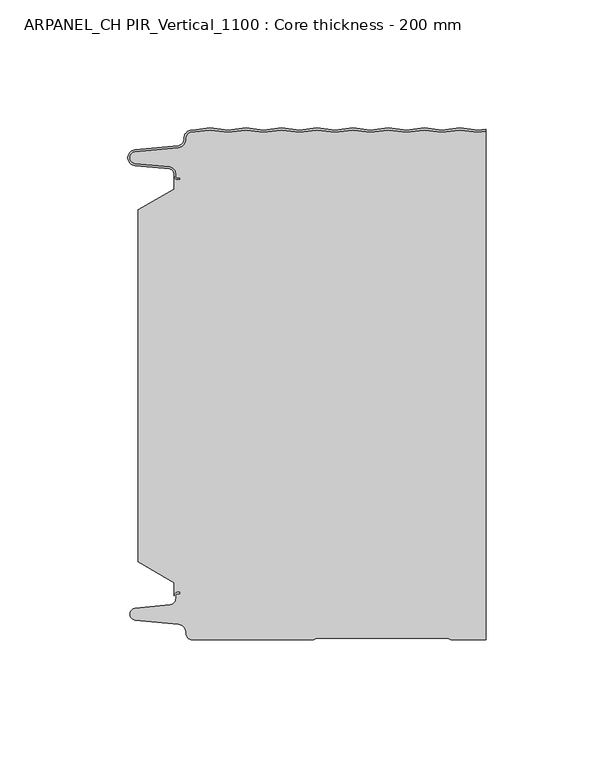
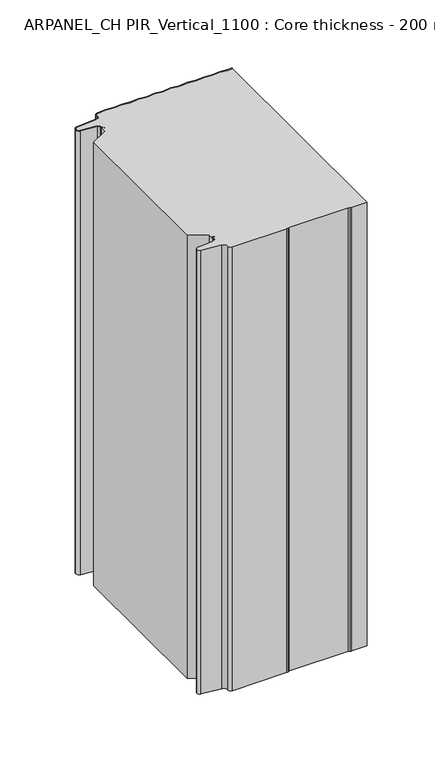
"""IFC4 building model written with IfcOpenShell, lengths in millimetres: plate geometry, ARPANEL_CH PIR_Vertical_1100 : Core thickness - 200 mm."""

import ifcopenshell
import ifcopenshell.guid

model = None  # the IFC model being written
_history = None  # IfcOwnerHistory: only IFC2X3 demands one
_inside = {}  # id of a spatial element -> (the spatial element, [elements in it])
_under = {}  # id of a project, library or spatial element -> (it, [spatial elements below it])
_declared = {}  # id of a project -> (the project, [libraries it declares])
_typed = {}  # id of a type object -> (the type object, [elements of that type])
_made_of = {}  # id of a material, layer set ... -> (it, [elements and type objects made of it])


def new_model(schema):
    """Start an empty IFC model of exactly this schema.

    Asked for "IFC4X3", IfcOpenShell would pick the latest addendum, in which some entities
    have other attributes; the version numbers below select the first issue.
    IFC2X3 requires an IfcOwnerHistory on every rooted entity: one is made here for all.
    """
    global model, _history
    if schema == "IFC4X3":
        model = ifcopenshell.file(schema_version=(4, 3, 0, 0))
    else:
        model = ifcopenshell.file(schema=schema)
    _inside.clear()
    _under.clear()
    _declared.clear()
    _typed.clear()
    _made_of.clear()
    _history = None
    if model.schema == "IFC2X3":
        org = make("IfcOrganization", Name="unknown")
        user = make(
            "IfcPersonAndOrganization",
            ThePerson=make("IfcPerson", FamilyName="unknown"),
            TheOrganization=org,
        )
        app = make(
            "IfcApplication",
            ApplicationDeveloper=org,
            Version="unknown",
            ApplicationFullName="unknown",
            ApplicationIdentifier="unknown",
        )
        _history = make(
            "IfcOwnerHistory",
            OwningUser=user,
            OwningApplication=app,
            ChangeAction="ADDED",
            CreationDate=0,
        )
    return model


def make(cls, **values):
    """One entity of the class cls with the attributes given. An attribute that is None is left unset."""
    return model.create_entity(
        cls, **{name: value for name, value in values.items() if value is not None}
    )


def rooted(cls, **values):
    """An entity with a GlobalId (a new one), such as an element, a storey or a relation."""
    return make(cls, GlobalId=ifcopenshell.guid.new(), OwnerHistory=_history, **values)


def si_unit(unit_type, name, prefix=None):
    """IfcSIUnit, for example si_unit("LENGTHUNIT", "METRE", prefix="MILLI")."""
    return make("IfcSIUnit", UnitType=unit_type, Prefix=prefix, Name=name)


def assignment(units):
    """IfcUnitAssignment: the units of a project."""
    return None if units is None else make("IfcUnitAssignment", Units=units)


def point(xyz):
    """IfcCartesianPoint."""
    return None if xyz is None else make("IfcCartesianPoint", Coordinates=xyz)


def direction(xyz):
    """IfcDirection."""
    return None if xyz is None else make("IfcDirection", DirectionRatios=xyz)


def frame(location, z_axis=None, x_axis=None):
    """IfcAxis2Placement3D, a coordinate frame: its origin and axes. An axis left out is left unset."""
    return make(
        "IfcAxis2Placement3D",
        Location=point(location),
        Axis=direction(z_axis),
        RefDirection=direction(x_axis),
    )


def origin():
    """The frame at (0, 0, 0) with its axes left unset."""
    return frame((0.0, 0.0, 0.0))


def place(relative_to, where):
    """IfcLocalPlacement: puts the frame where relative to a parent placement (None: the world)."""
    return make(
        "IfcLocalPlacement", PlacementRelTo=relative_to, RelativePlacement=where
    )


def context(
    kind, dimensions, precision=None, world=None, true_north=None, identifier=None
):
    """IfcGeometricRepresentationContext, for example the 3D "Model" context."""
    return make(
        "IfcGeometricRepresentationContext",
        ContextIdentifier=identifier,
        ContextType=kind,
        CoordinateSpaceDimension=dimensions,
        Precision=precision,
        WorldCoordinateSystem=world,
        TrueNorth=true_north,
    )


def project(units=None, contexts=None):
    """IfcProject with its units and contexts."""
    return rooted(
        "IfcProject",
        Name="project",
        RepresentationContexts=contexts,
        UnitsInContext=assignment(units),
    )


def spatial(cls, under=None, at=None, **own):
    """A site, building, storey or space (cls), placed at a placement, below another one or the project."""
    s = rooted(cls, ObjectPlacement=at, **own)
    if under is not None:
        _under.setdefault(under.id(), (under, []))[1].append(s)
    return s


def polyline(points):
    """IfcPolyline through the points."""
    return make("IfcPolyline", Points=[point(p) for p in points])


def circle_curve(where, radius):
    """IfcCircle in the frame where."""
    return make("IfcCircle", Position=where, Radius=radius)


def shape(context_of_items, identifier, shape_type, items):
    """IfcShapeRepresentation: the items that make up one representation, for example the "Body"."""
    return make(
        "IfcShapeRepresentation",
        ContextOfItems=context_of_items,
        RepresentationIdentifier=identifier,
        RepresentationType=shape_type,
        Items=items,
    )


def source(mapping_origin, context_of_items, identifier, shape_type, items):
    """IfcRepresentationMap: a shape defined once, which mapped items show again and again."""
    return make(
        "IfcRepresentationMap",
        MappingOrigin=mapping_origin,
        MappedRepresentation=shape(context_of_items, identifier, shape_type, items),
    )


def transform(
    local_origin,
    x_axis=None,
    y_axis=None,
    z_axis=None,
    scale=None,
    scale2=None,
    scale3=None,
    uniform=True,
):
    """IfcCartesianTransformationOperator3D, or its non-uniform kind. x_axis, y_axis, z_axis: its Axis1, 2, 3."""
    if uniform:
        return make(
            "IfcCartesianTransformationOperator3D",
            Axis1=direction(x_axis),
            Axis2=direction(y_axis),
            LocalOrigin=point(local_origin),
            Scale=scale,
            Axis3=direction(z_axis),
        )
    return make(
        "IfcCartesianTransformationOperator3DnonUniform",
        Axis1=direction(x_axis),
        Axis2=direction(y_axis),
        LocalOrigin=point(local_origin),
        Scale=scale,
        Axis3=direction(z_axis),
        Scale2=scale2,
        Scale3=scale3,
    )


def mapped(mapping_source, mapping_target):
    """IfcMappedItem: shows the shape of a source again, moved by a transform."""
    return make(
        "IfcMappedItem", MappingSource=mapping_source, MappingTarget=mapping_target
    )


def made_of(thing, what):
    """Note that an element or type object is made of a material, layer set ...; save() writes the relation."""
    if what is not None:
        _made_of.setdefault(what.id(), (what, []))[1].append(thing)
    return thing


def element(
    cls,
    number,
    at=None,
    inside=None,
    cuts=None,
    type_object=None,
    material=None,
    context=None,
    identifier="Body",
    shape_type=None,
    held_by="IfcProductDefinitionShape",
    body=None,
    shapes=None,
    **own,
):
    """One element of the class cls, such as IfcWall. Its Tag is "e" and its number.

    at: its placement. inside: the storey or other place that contains it. cuts: it is an
    opening in that element (IfcRelVoidsElement). A single representation is given by context,
    identifier, shape_type and body (its items); several are given by shapes. held_by: the class
    of the entity that holds the representations. save() writes the other relations.
    """
    e = rooted(cls, Tag="e%d" % number, ObjectPlacement=at, **own)
    if body is not None:
        shapes = [shape(context, identifier, shape_type, body)]
    if shapes is not None:
        e.Representation = make(held_by, Representations=shapes)
    if inside is not None:
        _inside.setdefault(inside.id(), (inside, []))[1].append(e)
    if cuts is not None:
        rooted(
            "IfcRelVoidsElement", RelatingBuildingElement=cuts, RelatedOpeningElement=e
        )
    if type_object is not None:
        _typed.setdefault(type_object.id(), (type_object, []))[1].append(e)
    return made_of(e, material)


def aggregate(whole, parts):
    """IfcRelAggregates: a whole, such as a stair, and the parts it consists of."""
    return rooted("IfcRelAggregates", RelatingObject=whole, RelatedObjects=parts)


def save(model, path):
    """Write the relations noted so far, then the file.

    IfcRelAggregates (storeys below a building ...), IfcRelContainedInSpatialStructure (elements
    in a storey), IfcRelDefinesByType, IfcRelAssociatesMaterial and IfcRelDeclares: one each for
    every whole, place, type object, material and project.
    """
    for whole, parts in _under.values():
        aggregate(whole, parts)
    for where, things in _inside.values():
        rooted(
            "IfcRelContainedInSpatialStructure",
            RelatedElements=things,
            RelatingStructure=where,
        )
    for kind, things in _typed.values():
        rooted("IfcRelDefinesByType", RelatedObjects=things, RelatingType=kind)
    for what, things in _made_of.values():
        rooted("IfcRelAssociatesMaterial", RelatedObjects=things, RelatingMaterial=what)
    for by, libraries in _declared.values():
        rooted("IfcRelDeclares", RelatingContext=by, RelatedDefinitions=libraries)
    model.write(path)


def plane_surface(at):
    """IfcPlane: the flat surface through the origin of the frame at, square to its z axis."""
    return make("IfcPlane", Position=at)


def cylinder_surface(at, radius):
    """IfcCylindricalSurface: all points at the distance radius from the z axis of the frame at."""
    return make("IfcCylindricalSurface", Position=at, Radius=radius)


def revolved_surface(curve, axis_point, axis_direction):
    """IfcSurfaceOfRevolution: the curve turned about the line through axis_point along axis_direction."""
    return make(
        "IfcSurfaceOfRevolution",
        SweptCurve=make("IfcArbitraryOpenProfileDef", ProfileType="CURVE", Curve=curve),
        AxisPosition=make("IfcAxis1Placement", Location=point(axis_point), Axis=direction(axis_direction)),
    )


def advanced_brep(points, edges, surfaces, faces):
    """IfcAdvancedBrep: a solid bounded by faces that lie on surfaces and meet in shared edges.

    An edge is (start, end): straight between two places in points (the first is 0);
    or (start, end, curve); or (start, end, curve, False) where it runs against its curve.
    A face is (place in surfaces, loops), or (place, loops, False) where it looks against
    its surface's normal. A loop lists edges by number (the first is 1), with a minus sign
    where the edge is run from its end to its start. The first loop is the outer one.
    """
    corners = [point(p) for p in points]
    vertices = [make("IfcVertexPoint", VertexGeometry=c) for c in corners]
    made = []
    for start, end, *more in edges:
        made.append(
            make(
                "IfcEdgeCurve",
                EdgeStart=vertices[start],
                EdgeEnd=vertices[end],
                EdgeGeometry=more[0] if more else make("IfcPolyline", Points=[corners[start], corners[end]]),
                SameSense=more[1] if len(more) > 1 else True,
            )
        )
    hull = []
    for where, loops, *sense in faces:
        bounds = []
        for j, loop in enumerate(loops):
            ring = [make("IfcOrientedEdge", EdgeElement=made[abs(k) - 1], Orientation=k > 0) for k in loop]
            bounds.append(
                make(
                    "IfcFaceOuterBound" if j == 0 else "IfcFaceBound",
                    Bound=make("IfcEdgeLoop", EdgeList=ring),
                    Orientation=True,
                )
            )
        hull.append(make("IfcAdvancedFace", Bounds=bounds, FaceSurface=surfaces[where], SameSense=sense[0] if sense else True))
    return make("IfcAdvancedBrep", Outer=make("IfcClosedShell", CfsFaces=hull))


def arpanel_ch_pir_vertical_1100_core_thickness_200_mm_20a5ad4c(model_context):
    return source(origin(), model_context, "Body", "AdvancedBrep", [
        advanced_brep(
        [(-51.9952277, -23.1062917, 400.0), (-66.0446509, -31.1628062, 400.0), (-66.0446509, -168.7531937, 400.0), (-51.9952277, -176.8937083, 400.0), (-51.9952277, -180.4996949, 400.0), (-51.9952277, -181.8996949, 400.0), (-50.5952277, -180.4996949, 400.0), (-49.4952277, -180.4996949, 400.0), (-49.4952277, -181.2996949, 400.0), (-50.5952277, -181.2996949, 400.0), (-51.1952277, -181.8996949, 400.0), (-51.1952277, -182.9766159, 400.0), (-53.5415122, -185.5642071, 400.0), (-67.1334652, -186.8969097, 400.0), (-69.1999997, -189.1776715, 400.0), (-67.1334652, -191.4584333, 400.0), (-50.1779767, -193.1209335, 400.0), (-47.2078761, -196.6330399, 400.0), (-44.8000003, -199.1996949, 400.0), (1.9454197, -199.2, 400.0), (2.9968355, -198.9013303, 400.0), (4.4172165, -198.4996949, 400.0), (54.5769997, -198.4996949, 400.0), (55.9964111, -198.9028991, 400.0), (57.0487965, -199.2, 400.0), (69.9999998, -199.2, 400.0), (69.9999998, -0.4450808, 400.0), (66.7999997, -0.8121059, 400.0), (59.8249997, -0.0121059, 400.0), (52.8499997, -0.8121059, 400.0), (45.8749997, -0.0121059, 400.0), (38.8999997, -0.8121059, 400.0), (31.9249997, -0.0121059, 400.0), (24.9499997, -0.8121059, 400.0), (17.9749997, -0.0121059, 400.0), (10.9999997, -0.8121059, 400.0), (4.0249997, -0.0121059, 400.0), (-2.9500003, -0.8121059, 400.0), (-9.9250003, -0.0121059, 400.0), (-16.9000003, -0.8121059, 400.0), (-23.8750003, -0.0121059, 400.0), (-30.8500003, -0.8121059, 400.0), (-37.8250003, -0.0121059, 400.0), (-45.4293367, -0.8842879, 400.0), (-47.1942724, -3.3660185, 400.0), (-50.1779767, -6.8790665, 400.0), (-67.1334652, -8.5415667, 400.0), (-69.1999997, -10.8223285, 400.0), (-67.1334652, -13.1030903, 400.0), (-53.5415122, -14.4357929, 400.0), (-51.1952277, -17.0233841, 400.0), (-51.1952277, -18.1003051, 400.0), (-50.5952277, -18.7003051, 400.0), (-49.4952277, -18.7003051, 400.0), (-49.4952277, -19.5003051, 400.0), (-50.5952277, -19.5003051, 400.0), (-51.9952277, -18.1003051, 400.0), (-51.9952277, -19.5003051, 400.0), (-51.9952277, -176.8937083, 0.0), (-66.0446509, -168.7531937, 0.0), (-66.0446509, -31.1628062, 0.0), (-51.9952277, -23.1062917, 0.0), (-51.9952277, -19.5003051, 0.0), (-51.9952277, -18.1003051, 0.0), (-50.5952277, -19.5003051, 0.0), (-49.4952277, -19.5003051, 0.0), (-49.4952277, -18.7003051, 0.0), (-50.5952277, -18.7003051, 0.0), (-51.1952277, -18.1003051, 0.0), (-51.1952277, -17.0233841, 0.0), (-53.5415122, -14.4357929, 0.0), (-67.1334652, -13.1030903, 0.0), (-69.1999997, -10.8223285, 0.0), (-67.1334652, -8.5415667, 0.0), (-50.1779767, -6.8790665, 0.0), (-47.2078761, -3.3669601, 0.0), (-45.4293367, -0.8842879, 0.0), (-37.8250003, -0.0121059, 0.0), (-30.8500003, -0.8121059, 0.0), (-23.8750003, -0.0121059, 0.0), (-16.9000003, -0.8121059, 0.0), (-9.9250003, -0.0121059, 0.0), (-2.9500003, -0.8121059, 0.0), (4.0249997, -0.0121059, 0.0), (10.9999997, -0.8121059, 0.0), (17.9749997, -0.0121059, 0.0), (24.9499997, -0.8121059, 0.0), (31.9249997, -0.0121059, 0.0), (38.8999997, -0.8121059, 0.0), (45.8749997, -0.0121059, 0.0), (52.8499997, -0.8121059, 0.0), (59.8249997, -0.0121059, 0.0), (66.7999997, -0.8121059, 0.0), (69.9999998, -0.4450808, 0.0), (69.9999998, -199.2, 0.0), (57.0487965, -199.2, 0.0), (55.9973806, -198.9013303, 0.0), (54.5769997, -198.4996949, 0.0), (4.4172165, -198.4996949, 0.0), (2.9978051, -198.9028991, 0.0), (1.9454197, -199.2, 0.0), (-44.8000003, -199.2, 0.0), (-47.1942724, -196.6339815, 0.0), (-50.1779767, -193.1209335, 0.0), (-67.1334652, -191.4584333, 0.0), (-69.1999997, -189.1776715, 0.0), (-67.1334652, -186.8969097, 0.0), (-53.5415122, -185.5642071, 0.0), (-51.1952277, -182.9766159, 0.0), (-51.1952277, -181.8996949, 0.0), (-50.5952277, -181.2996949, 0.0), (-49.4952277, -181.2996949, 0.0), (-49.4952277, -180.4996949, 0.0), (-50.5952277, -180.4996949, 0.0), (-51.9952277, -181.8996949, 0.0), (-51.9952277, -180.4996949, 0.0)],
        [
            (0, 1),
            (1, 2),
            (2, 3),
            (3, 4),
            (4, 5),
            (5, 6, circle_curve(frame((-50.5952277, -181.8996949, 400.0), z_axis=(0.0, 0.0, -1.0), x_axis=(1.0, 0.0, 0.0)), 1.4)),
            (6, 7),
            (7, 8),
            (8, 9),
            (9, 10, circle_curve(frame((-50.5952277, -181.8996949, 400.0), z_axis=(0.0, 0.0, 1.0), x_axis=(1.0, 0.0, 0.0)), 0.6)),
            (10, 11),
            (11, 12, circle_curve(frame((-53.7952277, -182.9766159, 400.0), z_axis=(0.0, 0.0, -1.0), x_axis=(1.0, 0.0, 0.0)), 2.6)),
            (12, 13),
            (13, 14, circle_curve(frame((-66.9100003, -189.1759805, 400.0), z_axis=(0.0, 0.0, 1.0), x_axis=(1.0, 0.0, 0.0)), 2.29)),
            (14, 15, circle_curve(frame((-66.9100003, -189.1793626, 400.0), z_axis=(0.0, 0.0, 1.0), x_axis=(1.0, 0.0, 0.0)), 2.29)),
            (15, 16),
            (16, 17, circle_curve(frame((-50.5000003, -196.4051839, 400.0), z_axis=(0.0, 0.0, -1.0), x_axis=(1.0, 0.0, 0.0)), 3.3)),
            (17, 18, circle_curve(frame((-44.8000003, -196.7996949, 400.0), z_axis=(0.0, 0.0, 1.0), x_axis=(1.0, 0.0, 0.0)), 2.4)),
            (18, 19),
            (19, 20, circle_curve(frame((1.9454197, -197.2, 400.0), z_axis=(0.0, 0.0, 1.0), x_axis=(1.0, 0.0, 0.0)), 2.0)),
            (20, 21, circle_curve(frame((4.4172165, -201.1996949, 400.0), z_axis=(0.0, 0.0, -1.0), x_axis=(1.0, 0.0, 0.0)), 2.7)),
            (21, 22),
            (22, 23, circle_curve(frame((54.5769997, -201.1996949, 400.0), z_axis=(0.0, 0.0, -1.0), x_axis=(1.0, 0.0, 0.0)), 2.7)),
            (23, 24, circle_curve(frame((57.0487965, -197.2, 400.0), z_axis=(0.0, 0.0, 1.0), x_axis=(1.0, 0.0, 0.0)), 2.0)),
            (24, 25),
            (25, 26),
            (26, 27),
            (27, 28),
            (28, 29),
            (29, 30),
            (30, 31),
            (31, 32),
            (32, 33),
            (33, 34),
            (34, 35),
            (35, 36),
            (36, 37),
            (37, 38),
            (38, 39),
            (39, 40),
            (40, 41),
            (41, 42),
            (42, 43),
            (43, 44, circle_curve(frame((-44.8000003, -3.2003051, 400.0), z_axis=(0.0, 0.0, 1.0), x_axis=(1.0, 0.0, 0.0)), 2.4)),
            (44, 45, circle_curve(frame((-50.5000003, -3.5948161, 400.0), z_axis=(0.0, 0.0, -1.0), x_axis=(1.0, 0.0, 0.0)), 3.3)),
            (45, 46),
            (46, 47, circle_curve(frame((-66.9100003, -10.8206374, 400.0), z_axis=(0.0, 0.0, 1.0), x_axis=(1.0, 0.0, 0.0)), 2.29)),
            (47, 48, circle_curve(frame((-66.9100003, -10.8240195, 400.0), z_axis=(0.0, 0.0, 1.0), x_axis=(1.0, 0.0, 0.0)), 2.29)),
            (48, 49),
            (49, 50, circle_curve(frame((-53.7952277, -17.0233841, 400.0), z_axis=(0.0, 0.0, -1.0), x_axis=(1.0, 0.0, 0.0)), 2.6)),
            (50, 51),
            (51, 52, circle_curve(frame((-50.5952277, -18.1003051, 400.0), z_axis=(0.0, 0.0, 1.0), x_axis=(1.0, 0.0, 0.0)), 0.6)),
            (52, 53),
            (53, 54),
            (54, 55),
            (55, 56, circle_curve(frame((-50.5952277, -18.1003051, 400.0), z_axis=(0.0, 0.0, -1.0), x_axis=(1.0, 0.0, 0.0)), 1.4)),
            (56, 57),
            (57, 0),
            (58, 59),
            (59, 60),
            (60, 61),
            (61, 62),
            (62, 63),
            (63, 64, circle_curve(frame((-50.5952277, -18.1003051, 0.0), z_axis=(0.0, 0.0, 1.0), x_axis=(1.0, 0.0, 0.0)), 1.4)),
            (64, 65),
            (65, 66),
            (66, 67),
            (67, 68, circle_curve(frame((-50.5952277, -18.1003051, 0.0), z_axis=(0.0, 0.0, -1.0), x_axis=(1.0, 0.0, 0.0)), 0.6)),
            (68, 69),
            (69, 70, circle_curve(frame((-53.7952277, -17.0233841, 0.0), z_axis=(0.0, 0.0, 1.0), x_axis=(1.0, 0.0, 0.0)), 2.6)),
            (70, 71),
            (71, 72, circle_curve(frame((-66.9100003, -10.8240195, 0.0), z_axis=(0.0, 0.0, -1.0), x_axis=(1.0, 0.0, 0.0)), 2.29)),
            (72, 73, circle_curve(frame((-66.9100003, -10.8206374, 0.0), z_axis=(0.0, 0.0, -1.0), x_axis=(1.0, 0.0, 0.0)), 2.29)),
            (73, 74),
            (74, 75, circle_curve(frame((-50.5000003, -3.5948161, 0.0), z_axis=(0.0, 0.0, 1.0), x_axis=(1.0, 0.0, 0.0)), 3.3)),
            (75, 76, circle_curve(frame((-44.8000003, -3.2003051, 0.0), z_axis=(0.0, 0.0, -1.0), x_axis=(1.0, 0.0, 0.0)), 2.4)),
            (76, 77),
            (77, 78),
            (78, 79),
            (79, 80),
            (80, 81),
            (81, 82),
            (82, 83),
            (83, 84),
            (84, 85),
            (85, 86),
            (86, 87),
            (87, 88),
            (88, 89),
            (89, 90),
            (90, 91),
            (91, 92),
            (92, 93),
            (93, 94),
            (94, 95),
            (95, 96, circle_curve(frame((57.0487965, -197.2, 0.0), z_axis=(0.0, 0.0, -1.0), x_axis=(1.0, 0.0, 0.0)), 2.0)),
            (96, 97, circle_curve(frame((54.5769997, -201.1996949, 0.0), z_axis=(0.0, 0.0, 1.0), x_axis=(1.0, 0.0, 0.0)), 2.7)),
            (97, 98),
            (98, 99, circle_curve(frame((4.4172165, -201.1996949, 0.0), z_axis=(0.0, 0.0, 1.0), x_axis=(1.0, 0.0, 0.0)), 2.7)),
            (99, 100, circle_curve(frame((1.9454197, -197.2, 0.0), z_axis=(0.0, 0.0, -1.0), x_axis=(1.0, 0.0, 0.0)), 2.0)),
            (100, 101),
            (101, 102, circle_curve(frame((-44.8000003, -196.7996949, 0.0), z_axis=(0.0, 0.0, -1.0), x_axis=(1.0, 0.0, 0.0)), 2.4)),
            (102, 103, circle_curve(frame((-50.5000003, -196.4051839, 0.0), z_axis=(0.0, 0.0, 1.0), x_axis=(1.0, 0.0, 0.0)), 3.3)),
            (103, 104),
            (104, 105, circle_curve(frame((-66.9100003, -189.1793626, 0.0), z_axis=(0.0, 0.0, -1.0), x_axis=(1.0, 0.0, 0.0)), 2.29)),
            (105, 106, circle_curve(frame((-66.9100003, -189.1759805, 0.0), z_axis=(0.0, 0.0, -1.0), x_axis=(1.0, 0.0, 0.0)), 2.29)),
            (106, 107),
            (107, 108, circle_curve(frame((-53.7952277, -182.9766159, 0.0), z_axis=(0.0, 0.0, 1.0), x_axis=(1.0, 0.0, 0.0)), 2.6)),
            (108, 109),
            (109, 110, circle_curve(frame((-50.5952277, -181.8996949, 0.0), z_axis=(0.0, 0.0, -1.0), x_axis=(1.0, 0.0, 0.0)), 0.6)),
            (110, 111),
            (111, 112),
            (112, 113),
            (113, 114, circle_curve(frame((-50.5952277, -181.8996949, 0.0), z_axis=(0.0, 0.0, 1.0), x_axis=(1.0, 0.0, 0.0)), 1.4)),
            (114, 115),
            (115, 58),
            (76, 43),
            (42, 77),
            (41, 78),
            (40, 79),
            (39, 80),
            (38, 81),
            (37, 82),
            (36, 83),
            (35, 84),
            (34, 85),
            (33, 86),
            (32, 87),
            (31, 88),
            (30, 89),
            (29, 90),
            (28, 91),
            (27, 92),
            (26, 93),
            (61, 0),
            (56, 63),
            (1, 60),
            (59, 2),
            (58, 3),
            (114, 5),
            (24, 95),
            (94, 25),
            (23, 96),
            (22, 97),
            (21, 98),
            (20, 99),
            (19, 100),
            (18, 101),
            (17, 102),
            (16, 103),
            (15, 104),
            (14, 105),
            (13, 106),
            (12, 107),
            (11, 108),
            (10, 109),
            (9, 110),
            (8, 111),
            (7, 112),
            (6, 113),
            (55, 64),
            (54, 65),
            (53, 66),
            (52, 67),
            (51, 68),
            (50, 69),
            (49, 70),
            (48, 71),
            (47, 72),
            (46, 73),
            (45, 74),
            (44, 75),
        ],
        [
            plane_surface(frame((-69.9999998, 0.0, 400.0), z_axis=(0.0, 0.0, 1.0), x_axis=(0.0, -1.0, 0.0))),
            plane_surface(frame((-69.9999998, 0.0, 0.0), z_axis=(0.0, 0.0, -1.0), x_axis=(0.0, -1.0, 0.0))),
            plane_surface(frame((-45.4293367, -0.8842879, 530.0), z_axis=(-0.11394829349453067, 0.9934866815462019, 0.0), x_axis=(0.0, 0.0, -1.0))),
            plane_surface(frame((-37.8250003, -0.0121059, 530.0), z_axis=(0.11394829295347988, 0.9934866816082579, 0.0), x_axis=(0.0, 0.0, -1.0))),
            plane_surface(frame((-30.8500003, -0.8121059, 530.0), z_axis=(-0.11394829349456718, 0.9934866815461977, 0.0), x_axis=(0.0, 0.0, -1.0))),
            plane_surface(frame((-23.8750003, -0.0121059, 530.0), z_axis=(0.11394829295347988, 0.9934866816082579, 0.0), x_axis=(0.0, 0.0, -1.0))),
            plane_surface(frame((-16.9000003, -0.8121059, 530.0), z_axis=(-0.11394829349456718, 0.9934866815461977, 0.0), x_axis=(0.0, 0.0, -1.0))),
            plane_surface(frame((-9.9250003, -0.0121059, 530.0), z_axis=(0.11394829295347988, 0.9934866816082579, 0.0), x_axis=(0.0, 0.0, -1.0))),
            plane_surface(frame((-2.9500003, -0.8121059, 530.0), z_axis=(-0.11394829349456718, 0.9934866815461977, 0.0), x_axis=(0.0, 0.0, -1.0))),
            plane_surface(frame((4.0249997, -0.0121059, 530.0), z_axis=(0.11394829295347988, 0.9934866816082579, 0.0), x_axis=(0.0, 0.0, -1.0))),
            plane_surface(frame((10.9999997, -0.8121059, 530.0), z_axis=(-0.11394829349456718, 0.9934866815461977, 0.0), x_axis=(0.0, 0.0, -1.0))),
            plane_surface(frame((17.9749997, -0.0121059, 530.0), z_axis=(0.11394829295347988, 0.9934866816082579, 0.0), x_axis=(0.0, 0.0, -1.0))),
            plane_surface(frame((24.9499997, -0.8121059, 530.0), z_axis=(-0.11394829349456718, 0.9934866815461977, 0.0), x_axis=(0.0, 0.0, -1.0))),
            plane_surface(frame((31.9249997, -0.0121059, 530.0), z_axis=(0.11394829295347988, 0.9934866816082579, 0.0), x_axis=(0.0, 0.0, -1.0))),
            plane_surface(frame((38.8999997, -0.8121059, 530.0), z_axis=(-0.11394829349456718, 0.9934866815461977, 0.0), x_axis=(0.0, 0.0, -1.0))),
            plane_surface(frame((45.8749997, -0.0121059, 530.0), z_axis=(0.11394829295347988, 0.9934866816082579, 0.0), x_axis=(0.0, 0.0, -1.0))),
            plane_surface(frame((52.8499997, -0.8121059, 530.0), z_axis=(-0.11394829349456718, 0.9934866815461977, 0.0), x_axis=(0.0, 0.0, -1.0))),
            plane_surface(frame((59.8249997, -0.0121059, 530.0), z_axis=(0.11394829295347988, 0.9934866816082579, 0.0), x_axis=(0.0, 0.0, -1.0))),
            plane_surface(frame((66.7999997, -0.8121059, 530.0), z_axis=(-0.11394829349456718, 0.9934866815461977, 0.0), x_axis=(0.0, 0.0, -1.0))),
            plane_surface(frame((-51.9952277, -17.0229218, 400.0), z_axis=(-1.0, 0.0, 0.0), x_axis=(0.0, 0.0, -1.0))),
            plane_surface(frame((-66.0446509, -31.1628062, 400.0), z_axis=(-1.0, 0.0, 0.0), x_axis=(0.0, 0.0, -1.0))),
            plane_surface(frame((-51.9952277, -23.1062917, 400.0), z_axis=(-0.4974543664933155, 0.8674901459133322, 0.0), x_axis=(0.0, 0.0, -1.0))),
            plane_surface(frame((-66.0446509, -168.7531937, 400.0), z_axis=(-0.5013424225369615, -0.8652489672717159, 0.0), x_axis=(0.0, 0.0, -1.0))),
            plane_surface(frame((-51.9952277, -176.8937083, 400.0), z_axis=(-1.0, 0.0, 0.0), x_axis=(0.0, 0.0, -1.0))),
            plane_surface(frame((107.2085797, -199.2, 530.0), z_axis=(0.0, -1.0, 0.0), x_axis=(0.0, 0.0, -1.0))),
            cylinder_surface(frame((57.0487965, -197.2, 530.0), z_axis=(0.0, 0.0, -1.0), x_axis=(1.0, 0.0, 0.0)), 2.0),
            revolved_surface(polyline([(57.276999700000005, -201.1996949, 400.0), (57.276999700000005, -201.1996949, 0.0)]), (54.5769997, -201.1996949, 530.0), (0.0, 0.0, 1.0)),
            plane_surface(frame((54.5769997, -198.4996949, 530.0), z_axis=(0.0, -1.0, 0.0), x_axis=(0.0, 0.0, -1.0))),
            revolved_surface(polyline([(7.1172165000000005, -201.1996949, 400.0), (7.1172165000000005, -201.1996949, 0.0)]), (4.4172165, -201.1996949, 530.0), (0.0, 0.0, 1.0)),
            cylinder_surface(frame((1.9454197, -197.2, 530.0), z_axis=(0.0, 0.0, -1.0), x_axis=(1.0, 0.0, 0.0)), 2.0),
            plane_surface(frame((1.9454197, -199.2, 530.0), z_axis=(0.0, -1.0, 0.0), x_axis=(0.0, 0.0, -1.0))),
            cylinder_surface(frame((-44.8000003, -196.7996949, 530.0), z_axis=(0.0, 0.0, -1.0), x_axis=(1.0, 0.0, 0.0)), 2.4),
            revolved_surface(polyline([(-47.200000300000006, -196.4051839, 400.0), (-47.200000300000006, -196.4051839, 0.0)]), (-50.5000003, -196.4051839, 530.0), (0.0, 0.0, 1.0)),
            plane_surface(frame((-50.1779767, -193.1209335, 530.0), z_axis=(-0.09758289975914758, -0.9952273999818314, 0.0), x_axis=(0.0, 0.0, -1.0))),
            cylinder_surface(frame((-66.9100003, -189.1793626, 530.0), z_axis=(0.0, 0.0, -1.0), x_axis=(1.0, 0.0, 0.0)), 2.29),
            cylinder_surface(frame((-66.9100003, -189.1759805, 530.0), z_axis=(0.0, 0.0, -1.0), x_axis=(1.0, 0.0, 0.0)), 2.29),
            plane_surface(frame((-67.1334652, -186.8969097, 530.0), z_axis=(-0.09758289975914383, 0.9952273999818317, 0.0), x_axis=(0.0, 0.0, -1.0))),
            revolved_surface(polyline([(-51.1952277, -182.9766159, 400.0), (-51.1952277, -182.9766159, 0.0)]), (-53.7952277, -182.9766159, 530.0), (0.0, 0.0, 1.0)),
            plane_surface(frame((-51.1952277, -182.9766159, 530.0), z_axis=(-1.0, 0.0, 0.0), x_axis=(0.0, 0.0, -1.0))),
            cylinder_surface(frame((-50.5952277, -181.8996949, 530.0), z_axis=(0.0, 0.0, -1.0), x_axis=(1.0, 0.0, 0.0)), 0.6),
            plane_surface(frame((-50.5952277, -181.2996949, 530.0), z_axis=(0.0, 1.0, 0.0), x_axis=(0.0, 0.0, -1.0))),
            plane_surface(frame((-49.4952277, -181.2996949, 530.0), z_axis=(-1.0, 0.0, 0.0), x_axis=(0.0, 0.0, -1.0))),
            plane_surface(frame((-49.4952277, -180.4996949, 530.0), z_axis=(0.0, -1.0, 0.0), x_axis=(0.0, 0.0, -1.0))),
            revolved_surface(polyline([(-49.195227700000004, -181.8996949, 400.0), (-49.195227700000004, -181.8996949, 0.0)]), (-50.5952277, -181.8996949, 530.0), (0.0, 0.0, 1.0)),
            revolved_surface(polyline([(-49.195227700000004, -18.1003051, 400.0), (-49.195227700000004, -18.1003051, 0.0)]), (-50.5952277, -18.1003051, 530.0), (0.0, 0.0, 1.0)),
            plane_surface(frame((-50.5952277, -19.5003051, 530.0), z_axis=(0.0, 1.0, 0.0), x_axis=(0.0, 0.0, -1.0))),
            plane_surface(frame((-49.4952277, -19.5003051, 530.0), z_axis=(-1.0, 0.0, 0.0), x_axis=(0.0, 0.0, -1.0))),
            plane_surface(frame((-49.4952277, -18.7003051, 530.0), z_axis=(0.0, -1.0, 0.0), x_axis=(0.0, 0.0, -1.0))),
            cylinder_surface(frame((-50.5952277, -18.1003051, 530.0), z_axis=(0.0, 0.0, -1.0), x_axis=(1.0, 0.0, 0.0)), 0.6),
            plane_surface(frame((-51.1952277, -18.1003051, 530.0), z_axis=(-1.0, 0.0, 0.0), x_axis=(0.0, 0.0, -1.0))),
            revolved_surface(polyline([(-51.1952277, -17.0233841, 400.0), (-51.1952277, -17.0233841, 0.0)]), (-53.7952277, -17.0233841, 530.0), (0.0, 0.0, 1.0)),
            plane_surface(frame((-53.5415122, -14.4357929, 530.0), z_axis=(-0.09758289975914705, -0.9952273999818314, 0.0), x_axis=(0.0, 0.0, -1.0))),
            cylinder_surface(frame((-66.9100003, -10.8240195, 530.0), z_axis=(0.0, 0.0, -1.0), x_axis=(1.0, 0.0, 0.0)), 2.29),
            cylinder_surface(frame((-66.9100003, -10.8206374, 530.0), z_axis=(0.0, 0.0, -1.0), x_axis=(1.0, 0.0, 0.0)), 2.29),
            plane_surface(frame((-67.1334652, -8.5415667, 530.0), z_axis=(-0.09758289975914436, 0.9952273999818317, 0.0), x_axis=(0.0, 0.0, -1.0))),
            revolved_surface(polyline([(-47.200000300000006, -3.5948161, 400.0), (-47.200000300000006, -3.5948161, 0.0)]), (-50.5000003, -3.5948161, 530.0), (0.0, 0.0, 1.0)),
            cylinder_surface(frame((-44.8000003, -3.2003051, 530.0), z_axis=(0.0, 0.0, -1.0), x_axis=(1.0, 0.0, 0.0)), 2.4),
            plane_surface(frame((69.9999998, 180.0, 400.0), z_axis=(1.0, 0.0, 0.0), x_axis=(0.0, 0.0, -1.0))),
        ],
        [
            (0, [[1, 2, 3, 4, 5, 6, 7, 8, 9, 10, 11, 12, 13, 14, 15, 16, 17, 18, 19, 20, 21, 22, 23, 24, 25, 26, 27, 28, 29, 30, 31, 32, 33, 34, 35, 36, 37, 38, 39, 40, 41, 42, 43, 44, 45, 46, 47, 48, 49, 50, 51, 52, 53, 54, 55, 56, 57, 58]]),
            (1, [[59, 60, 61, 62, 63, 64, 65, 66, 67, 68, 69, 70, 71, 72, 73, 74, 75, 76, 77, 78, 79, 80, 81, 82, 83, 84, 85, 86, 87, 88, 89, 90, 91, 92, 93, 94, 95, 96, 97, 98, 99, 100, 101, 102, 103, 104, 105, 106, 107, 108, 109, 110, 111, 112, 113, 114, 115, 116]]),
            (2, [[117, -43, 118, -77]]),
            (3, [[-118, -42, 119, -78]]),
            (4, [[-119, -41, 120, -79]]),
            (5, [[-120, -40, 121, -80]]),
            (6, [[-121, -39, 122, -81]]),
            (7, [[-122, -38, 123, -82]]),
            (8, [[-123, -37, 124, -83]]),
            (9, [[-124, -36, 125, -84]]),
            (10, [[-125, -35, 126, -85]]),
            (11, [[-126, -34, 127, -86]]),
            (12, [[-127, -33, 128, -87]]),
            (13, [[-128, -32, 129, -88]]),
            (14, [[-129, -31, 130, -89]]),
            (15, [[-130, -30, 131, -90]]),
            (16, [[-131, -29, 132, -91]]),
            (17, [[-132, -28, 133, -92]]),
            (18, [[-133, -27, 134, -93]]),
            (19, [[135, -58, -57, 136, -63, -62]]),
            (20, [[-2, 137, -60, 138]]),
            (21, [[-1, -135, -61, -137]]),
            (22, [[-3, -138, -59, 139]]),
            (23, [[-139, -116, -115, 140, -5, -4]]),
            (24, [[141, -95, 142, -25]]),
            (25, [[-141, -24, 143, -96]]),
            (26, [[-143, -23, 144, -97]]),
            (27, [[-144, -22, 145, -98]]),
            (28, [[-145, -21, 146, -99]]),
            (29, [[-146, -20, 147, -100]]),
            (30, [[-147, -19, 148, -101]]),
            (31, [[-148, -18, 149, -102]]),
            (32, [[-149, -17, 150, -103]]),
            (33, [[-150, -16, 151, -104]]),
            (34, [[-151, -15, 152, -105]]),
            (35, [[-152, -14, 153, -106]]),
            (36, [[-153, -13, 154, -107]]),
            (37, [[-154, -12, 155, -108]]),
            (38, [[-155, -11, 156, -109]]),
            (39, [[-156, -10, 157, -110]]),
            (40, [[-157, -9, 158, -111]]),
            (41, [[-158, -8, 159, -112]]),
            (42, [[-159, -7, 160, -113]]),
            (43, [[-160, -6, -140, -114]]),
            (44, [[161, -64, -136, -56]]),
            (45, [[-161, -55, 162, -65]]),
            (46, [[-162, -54, 163, -66]]),
            (47, [[-163, -53, 164, -67]]),
            (48, [[-164, -52, 165, -68]]),
            (49, [[-165, -51, 166, -69]]),
            (50, [[-166, -50, 167, -70]]),
            (51, [[-167, -49, 168, -71]]),
            (52, [[-168, -48, 169, -72]]),
            (53, [[-169, -47, 170, -73]]),
            (54, [[-170, -46, 171, -74]]),
            (55, [[-171, -45, 172, -75]]),
            (56, [[-117, -76, -172, -44]]),
            (57, [[-134, -26, -142, -94]]),
        ],
    ),
        advanced_brep(
        [(-51.9952277, -17.0233841, 0.0), (-53.6195785, -15.2319748, 0.0), (-67.2115315, -13.8992722, 0.0), (-69.9999998, -10.8223285, 0.0), (-67.2115315, -7.7453847, 0.0), (-50.2560431, -6.0828846, 0.0), (-48.0059668, -3.4221979, 0.0), (-44.7467092, -0.0007488, 0.0), (-37.8250003, 0.7931389, 0.0), (-30.8500003, -0.0068611, 0.0), (-23.8750003, 0.7931389, 0.0), (-16.9000003, -0.0068611, 0.0), (-9.9250003, 0.7931389, 0.0), (-2.9500003, -0.0068611, 0.0), (4.0249997, 0.7931389, 0.0), (10.9999997, -0.0068611, 0.0), (17.9749997, 0.7931389, 0.0), (24.9499997, -0.0068611, 0.0), (31.9249997, 0.7931389, 0.0), (38.8999997, -0.0068611, 0.0), (45.8749997, 0.7931389, 0.0), (52.8499997, -0.0068611, 0.0), (59.8249997, 0.7931389, 0.0), (66.7999997, -0.0068611, 0.0), (69.9999998, 0.360164, 0.0), (69.9999998, -0.4450808, 0.0), (66.7999997, -0.8121059, 0.0), (59.8249997, -0.0121059, 0.0), (52.8499997, -0.8121059, 0.0), (45.8749997, -0.0121059, 0.0), (38.8999997, -0.8121059, 0.0), (31.9249997, -0.0121059, 0.0), (24.9499997, -0.8121059, 0.0), (17.9749997, -0.0121059, 0.0), (10.9999997, -0.8121059, 0.0), (4.0249997, -0.0121059, 0.0), (-2.9500003, -0.8121059, 0.0), (-9.9250003, -0.0121059, 0.0), (-16.9000003, -0.8121059, 0.0), (-23.8750003, -0.0121059, 0.0), (-30.8500003, -0.8121059, 0.0), (-37.8250003, -0.0121059, 0.0), (-45.4293367, -0.8842879, 0.0), (-47.1942724, -3.3660185, 0.0), (-50.1779767, -6.8790665, 0.0), (-67.1334652, -8.5415667, 0.0), (-69.1999997, -10.8223285, 0.0), (-67.1334652, -13.1030903, 0.0), (-53.5415122, -14.4357929, 0.0), (-51.1952277, -17.0233841, 0.0), (-51.1952277, -18.1003051, 0.0), (-50.5952277, -18.7003051, 0.0), (-49.5037008, -18.7003051, 0.0), (-49.4952277, -19.5003051, 0.0), (-50.5952277, -19.5003051, 0.0), (-51.9952277, -18.1003051, 0.0), (-51.9952277, -17.0233841, 400.0), (-51.9952277, -18.1003051, 400.0), (-50.5952277, -19.5003051, 400.0), (-49.4952277, -19.5003051, 400.0), (-49.4952277, -18.7003051, 400.0), (-50.5952277, -18.7003051, 400.0), (-51.1952277, -18.1003051, 400.0), (-51.1952277, -17.0233841, 400.0), (-53.5415122, -14.4357929, 400.0), (-67.1334652, -13.1030903, 400.0), (-69.1999997, -10.8223285, 400.0), (-67.1334652, -8.5415667, 400.0), (-50.1779767, -6.8790665, 400.0), (-47.2078761, -3.3669601, 400.0), (-45.4293367, -0.8842879, 400.0), (-37.8250003, -0.0121059, 400.0), (-30.8500003, -0.8121059, 400.0), (-23.8750003, -0.0121059, 400.0), (-16.9000003, -0.8121059, 400.0), (-9.9250003, -0.0121059, 400.0), (-2.9500003, -0.8121059, 400.0), (4.0249997, -0.0121059, 400.0), (10.9999997, -0.8121059, 400.0), (17.9749997, -0.0121059, 400.0), (24.9499997, -0.8121059, 400.0), (31.9249997, -0.0121059, 400.0), (38.8999997, -0.8121059, 400.0), (45.8749997, -0.0121059, 400.0), (52.8499997, -0.8121059, 400.0), (59.8249997, -0.0121059, 400.0), (66.7999997, -0.8121059, 400.0), (69.9999998, -0.4450808, 400.0), (69.9999998, 0.360164, 400.0), (66.7999997, -0.0068611, 400.0), (59.8249997, 0.7931389, 400.0), (52.8499997, -0.0068611, 400.0), (45.8749997, 0.7931389, 400.0), (38.8999997, -0.0068611, 400.0), (31.9249997, 0.7931389, 400.0), (24.9499997, -0.0068611, 400.0), (17.9749997, 0.7931389, 400.0), (10.9999997, -0.0068611, 400.0), (4.0249997, 0.7931389, 400.0), (-2.9500003, -0.0068611, 400.0), (-9.9250003, 0.7931389, 400.0), (-16.9000003, -0.0068611, 400.0), (-23.8750003, 0.7931389, 400.0), (-30.8500003, -0.0068611, 400.0), (-37.8250003, 0.7931389, 400.0), (-44.7467092, -0.0007488, 400.0), (-47.9923632, -3.4212563, 400.0), (-50.2560431, -6.0828846, 400.0), (-67.2115315, -7.7453847, 400.0), (-69.9999998, -10.8223285, 400.0), (-67.2115315, -13.8992722, 400.0), (-53.6195785, -15.2319748, 400.0)],
        [
            (0, 1, circle_curve(frame((-53.7952277, -17.0233841, 0.0), z_axis=(0.0, 0.0, 1.0), x_axis=(1.0, 0.0, 0.0)), 1.8)),
            (1, 2),
            (2, 3, circle_curve(frame((-66.9100003, -10.8240195, 0.0), z_axis=(0.0, 0.0, -1.0), x_axis=(1.0, 0.0, 0.0)), 3.09)),
            (3, 4, circle_curve(frame((-66.9100003, -10.8206374, 0.0), z_axis=(0.0, 0.0, -1.0), x_axis=(1.0, 0.0, 0.0)), 3.09)),
            (4, 5),
            (5, 6, circle_curve(frame((-50.5000003, -3.5948161, 0.0), z_axis=(0.0, 0.0, 1.0), x_axis=(1.0, 0.0, 0.0)), 2.5)),
            (6, 7, circle_curve(frame((-44.8000003, -3.2003051, 0.0), z_axis=(0.0, 0.0, -1.0), x_axis=(1.0, 0.0, 0.0)), 3.2)),
            (7, 8),
            (8, 9),
            (9, 10),
            (10, 11),
            (11, 12),
            (12, 13),
            (13, 14),
            (14, 15),
            (15, 16),
            (16, 17),
            (17, 18),
            (18, 19),
            (19, 20),
            (20, 21),
            (21, 22),
            (22, 23),
            (23, 24),
            (24, 25),
            (25, 26),
            (26, 27),
            (27, 28),
            (28, 29),
            (29, 30),
            (30, 31),
            (31, 32),
            (32, 33),
            (33, 34),
            (34, 35),
            (35, 36),
            (36, 37),
            (37, 38),
            (38, 39),
            (39, 40),
            (40, 41),
            (41, 42),
            (42, 43, circle_curve(frame((-44.8000003, -3.2003051, 0.0), z_axis=(0.0, 0.0, 1.0), x_axis=(1.0, 0.0, 0.0)), 2.4)),
            (43, 44, circle_curve(frame((-50.5000003, -3.5948161, 0.0), z_axis=(0.0, 0.0, -1.0), x_axis=(1.0, 0.0, 0.0)), 3.3)),
            (44, 45),
            (45, 46, circle_curve(frame((-66.9100003, -10.8206374, 0.0), z_axis=(0.0, 0.0, 1.0), x_axis=(1.0, 0.0, 0.0)), 2.29)),
            (46, 47, circle_curve(frame((-66.9100003, -10.8240195, 0.0), z_axis=(0.0, 0.0, 1.0), x_axis=(1.0, 0.0, 0.0)), 2.29)),
            (47, 48),
            (48, 49, circle_curve(frame((-53.7952277, -17.0233841, 0.0), z_axis=(0.0, 0.0, -1.0), x_axis=(1.0, 0.0, 0.0)), 2.6)),
            (49, 50),
            (50, 51, circle_curve(frame((-50.5952277, -18.1003051, 0.0), z_axis=(0.0, 0.0, 1.0), x_axis=(1.0, 0.0, 0.0)), 0.6)),
            (51, 52),
            (52, 53),
            (53, 54),
            (54, 55, circle_curve(frame((-50.5952277, -18.1003051, 0.0), z_axis=(0.0, 0.0, -1.0), x_axis=(1.0, 0.0, 0.0)), 1.4)),
            (55, 0),
            (56, 57),
            (57, 58, circle_curve(frame((-50.5952277, -18.1003051, 400.0), z_axis=(0.0, 0.0, 1.0), x_axis=(1.0, 0.0, 0.0)), 1.4)),
            (58, 59),
            (59, 60),
            (60, 61),
            (61, 62, circle_curve(frame((-50.5952277, -18.1003051, 400.0), z_axis=(0.0, 0.0, -1.0), x_axis=(1.0, 0.0, 0.0)), 0.6)),
            (62, 63),
            (63, 64, circle_curve(frame((-53.7952277, -17.0233841, 400.0), z_axis=(0.0, 0.0, 1.0), x_axis=(1.0, 0.0, 0.0)), 2.6)),
            (64, 65),
            (65, 66, circle_curve(frame((-66.9100003, -10.8240195, 400.0), z_axis=(0.0, 0.0, -1.0), x_axis=(1.0, 0.0, 0.0)), 2.29)),
            (66, 67, circle_curve(frame((-66.9100003, -10.8206374, 400.0), z_axis=(0.0, 0.0, -1.0), x_axis=(1.0, 0.0, 0.0)), 2.29)),
            (67, 68),
            (68, 69, circle_curve(frame((-50.5000003, -3.5948161, 400.0), z_axis=(0.0, 0.0, 1.0), x_axis=(1.0, 0.0, 0.0)), 3.3)),
            (69, 70, circle_curve(frame((-44.8000003, -3.2003051, 400.0), z_axis=(0.0, 0.0, -1.0), x_axis=(1.0, 0.0, 0.0)), 2.4)),
            (70, 71),
            (71, 72),
            (72, 73),
            (73, 74),
            (74, 75),
            (75, 76),
            (76, 77),
            (77, 78),
            (78, 79),
            (79, 80),
            (80, 81),
            (81, 82),
            (82, 83),
            (83, 84),
            (84, 85),
            (85, 86),
            (86, 87),
            (87, 88),
            (88, 89),
            (89, 90),
            (90, 91),
            (91, 92),
            (92, 93),
            (93, 94),
            (94, 95),
            (95, 96),
            (96, 97),
            (97, 98),
            (98, 99),
            (99, 100),
            (100, 101),
            (101, 102),
            (102, 103),
            (103, 104),
            (104, 105),
            (105, 106, circle_curve(frame((-44.8000003, -3.2003051, 400.0), z_axis=(0.0, 0.0, 1.0), x_axis=(1.0, 0.0, 0.0)), 3.2)),
            (106, 107, circle_curve(frame((-50.5000003, -3.5948161, 400.0), z_axis=(0.0, 0.0, -1.0), x_axis=(1.0, 0.0, 0.0)), 2.5)),
            (107, 108),
            (108, 109, circle_curve(frame((-66.9100003, -10.8206374, 400.0), z_axis=(0.0, 0.0, 1.0), x_axis=(1.0, 0.0, 0.0)), 3.09)),
            (109, 110, circle_curve(frame((-66.9100003, -10.8240195, 400.0), z_axis=(0.0, 0.0, 1.0), x_axis=(1.0, 0.0, 0.0)), 3.09)),
            (110, 111),
            (111, 56, circle_curve(frame((-53.7952277, -17.0233841, 400.0), z_axis=(0.0, 0.0, -1.0), x_axis=(1.0, 0.0, 0.0)), 1.8)),
            (42, 70),
            (69, 43),
            (68, 44),
            (67, 45),
            (66, 46),
            (65, 47),
            (64, 48),
            (63, 49),
            (62, 50),
            (61, 51),
            (60, 52),
            (59, 53),
            (58, 54),
            (57, 55),
            (56, 0),
            (111, 1),
            (110, 2),
            (109, 3),
            (108, 4),
            (107, 5),
            (106, 6),
            (105, 7),
            (104, 8),
            (103, 9),
            (102, 10),
            (101, 11),
            (100, 12),
            (99, 13),
            (98, 14),
            (97, 15),
            (96, 16),
            (95, 17),
            (94, 18),
            (93, 19),
            (92, 20),
            (91, 21),
            (90, 22),
            (89, 23),
            (88, 24),
            (86, 26),
            (25, 87),
            (85, 27),
            (84, 28),
            (83, 29),
            (82, 30),
            (81, 31),
            (80, 32),
            (79, 33),
            (78, 34),
            (77, 35),
            (76, 36),
            (75, 37),
            (74, 38),
            (73, 39),
            (72, 40),
            (71, 41),
        ],
        [
            plane_surface(frame((-69.9999998, 0.0, 0.0), z_axis=(0.0, 0.0, -1.0), x_axis=(0.0, -1.0, 0.0))),
            plane_surface(frame((-69.9999998, 0.0, 400.0), z_axis=(0.0, 0.0, 1.0), x_axis=(0.0, -1.0, 0.0))),
            revolved_surface(polyline([(-42.4000003, -3.2003051, 400.0), (-42.4000003, -3.2003051, 0.0)]), (-44.8000003, -3.2003051, 0.0), (0.0, 0.0, 1.0)),
            cylinder_surface(frame((-50.5000003, -3.5948161, 0.0), z_axis=(0.0, 0.0, -1.0), x_axis=(1.0, 0.0, 0.0)), 3.3),
            plane_surface(frame((-50.1779767, -6.8790665, 0.0), z_axis=(0.09758289975914114, -0.9952273999818321, 0.0), x_axis=(0.0, 0.0, 1.0))),
            revolved_surface(polyline([(-64.62000029999999, -10.8206374, 400.0), (-64.62000029999999, -10.8206374, 0.0)]), (-66.9100003, -10.8206374, 0.0), (0.0, 0.0, 1.0)),
            revolved_surface(polyline([(-64.62000029999999, -10.8240195, 400.0), (-64.62000029999999, -10.8240195, 0.0)]), (-66.9100003, -10.8240195, 0.0), (0.0, 0.0, 1.0)),
            plane_surface(frame((-67.1334652, -13.1030903, 0.0), z_axis=(0.09758289975915029, 0.9952273999818312, 0.0), x_axis=(0.0, 0.0, 1.0))),
            cylinder_surface(frame((-53.7952277, -17.0233841, 0.0), z_axis=(0.0, 0.0, -1.0), x_axis=(1.0, 0.0, 0.0)), 2.6),
            plane_surface(frame((-51.1952277, -17.0233841, 0.0), z_axis=(1.0, 0.0, 0.0), x_axis=(0.0, 0.0, 1.0))),
            revolved_surface(polyline([(-49.9952277, -18.1003051, 400.0), (-49.9952277, -18.1003051, 0.0)]), (-50.5952277, -18.1003051, 0.0), (0.0, 0.0, 1.0)),
            plane_surface(frame((-50.5952277, -18.7003051, 0.0), z_axis=(0.0, 1.0, 0.0), x_axis=(0.0, 0.0, 1.0))),
            plane_surface(frame((-49.4952277, -18.7003051, 0.0), z_axis=(1.0, 0.0, 0.0), x_axis=(0.0, 0.0, 1.0))),
            plane_surface(frame((-49.4952277, -19.5003051, 0.0), z_axis=(0.0, -1.0, 0.0), x_axis=(0.0, 0.0, 1.0))),
            cylinder_surface(frame((-50.5952277, -18.1003051, 0.0), z_axis=(0.0, 0.0, -1.0), x_axis=(1.0, 0.0, 0.0)), 1.4),
            plane_surface(frame((-51.9952277, -18.1003051, 0.0), z_axis=(-1.0, 0.0, 0.0), x_axis=(0.0, 0.0, 1.0))),
            revolved_surface(polyline([(-51.9952277, -17.0233841, 400.0), (-51.9952277, -17.0233841, 0.0)]), (-53.7952277, -17.0233841, 0.0), (0.0, 0.0, 1.0)),
            plane_surface(frame((-53.6195785, -15.2319748, 0.0), z_axis=(-0.09758289975915033, -0.9952273999818312, 0.0), x_axis=(0.0, 0.0, 1.0))),
            cylinder_surface(frame((-66.9100003, -10.8240195, 0.0), z_axis=(0.0, 0.0, -1.0), x_axis=(1.0, 0.0, 0.0)), 3.09),
            cylinder_surface(frame((-66.9100003, -10.8206374, 0.0), z_axis=(0.0, 0.0, -1.0), x_axis=(1.0, 0.0, 0.0)), 3.09),
            plane_surface(frame((-67.2115315, -7.7453847, 0.0), z_axis=(-0.09758289975914118, 0.9952273999818321, 0.0), x_axis=(0.0, 0.0, 1.0))),
            revolved_surface(polyline([(-48.0000003, -3.5948161, 400.0), (-48.0000003, -3.5948161, 0.0)]), (-50.5000003, -3.5948161, 0.0), (0.0, 0.0, 1.0)),
            cylinder_surface(frame((-44.8000003, -3.2003051, 0.0), z_axis=(0.0, 0.0, -1.0), x_axis=(1.0, 0.0, 0.0)), 3.2),
            plane_surface(frame((-44.7467092, -0.0007488, 0.0), z_axis=(-0.11394829349452745, 0.9934866815462022, 0.0), x_axis=(0.0, 0.0, 1.0))),
            plane_surface(frame((-37.8250003, 0.7931389, 0.0), z_axis=(0.11394829295348308, 0.9934866816082576, 0.0), x_axis=(0.0, 0.0, 1.0))),
            plane_surface(frame((-30.8500003, -0.0068611, 0.0), z_axis=(-0.11394829349456394, 0.993486681546198, 0.0), x_axis=(0.0, 0.0, 1.0))),
            plane_surface(frame((-23.8750003, 0.7931389, 0.0), z_axis=(0.11394829295348308, 0.9934866816082576, 0.0), x_axis=(0.0, 0.0, 1.0))),
            plane_surface(frame((-16.9000003, -0.0068611, 0.0), z_axis=(-0.11394829349456394, 0.993486681546198, 0.0), x_axis=(0.0, 0.0, 1.0))),
            plane_surface(frame((-9.9250003, 0.7931389, 0.0), z_axis=(0.11394829295348308, 0.9934866816082576, 0.0), x_axis=(0.0, 0.0, 1.0))),
            plane_surface(frame((-2.9500003, -0.0068611, 0.0), z_axis=(-0.11394829349456394, 0.993486681546198, 0.0), x_axis=(0.0, 0.0, 1.0))),
            plane_surface(frame((4.0249997, 0.7931389, 0.0), z_axis=(0.11394829295348308, 0.9934866816082576, 0.0), x_axis=(0.0, 0.0, 1.0))),
            plane_surface(frame((10.9999997, -0.0068611, 0.0), z_axis=(-0.11394829349456394, 0.993486681546198, 0.0), x_axis=(0.0, 0.0, 1.0))),
            plane_surface(frame((17.9749997, 0.7931389, 0.0), z_axis=(0.11394829295348308, 0.9934866816082576, 0.0), x_axis=(0.0, 0.0, 1.0))),
            plane_surface(frame((24.9499997, -0.0068611, 0.0), z_axis=(-0.11394829349456394, 0.993486681546198, 0.0), x_axis=(0.0, 0.0, 1.0))),
            plane_surface(frame((31.9249997, 0.7931389, 0.0), z_axis=(0.11394829295348308, 0.9934866816082576, 0.0), x_axis=(0.0, 0.0, 1.0))),
            plane_surface(frame((38.8999997, -0.0068611, 0.0), z_axis=(-0.11394829349456394, 0.993486681546198, 0.0), x_axis=(0.0, 0.0, 1.0))),
            plane_surface(frame((45.8749997, 0.7931389, 0.0), z_axis=(0.11394829295348308, 0.9934866816082576, 0.0), x_axis=(0.0, 0.0, 1.0))),
            plane_surface(frame((52.8499997, -0.0068611, 0.0), z_axis=(-0.11394829349456394, 0.993486681546198, 0.0), x_axis=(0.0, 0.0, 1.0))),
            plane_surface(frame((59.8249997, 0.7931389, 0.0), z_axis=(0.11394829295348308, 0.9934866816082576, 0.0), x_axis=(0.0, 0.0, 1.0))),
            plane_surface(frame((66.7999997, -0.0068611, 0.0), z_axis=(-0.11394829349456394, 0.993486681546198, 0.0), x_axis=(0.0, 0.0, 1.0))),
            plane_surface(frame((73.7749997, -0.0121059, 0.0), z_axis=(0.11394829349456397, -0.993486681546198, 0.0), x_axis=(0.0, 0.0, 1.0))),
            plane_surface(frame((66.7999997, -0.8121059, 0.0), z_axis=(-0.1139482929534831, -0.9934866816082576, 0.0), x_axis=(0.0, 0.0, 1.0))),
            plane_surface(frame((59.8249997, -0.0121059, 0.0), z_axis=(0.11394829349456397, -0.993486681546198, 0.0), x_axis=(0.0, 0.0, 1.0))),
            plane_surface(frame((52.8499997, -0.8121059, 0.0), z_axis=(-0.1139482929534831, -0.9934866816082576, 0.0), x_axis=(0.0, 0.0, 1.0))),
            plane_surface(frame((45.8749997, -0.0121059, 0.0), z_axis=(0.11394829349456397, -0.993486681546198, 0.0), x_axis=(0.0, 0.0, 1.0))),
            plane_surface(frame((38.8999997, -0.8121059, 0.0), z_axis=(-0.1139482929534831, -0.9934866816082576, 0.0), x_axis=(0.0, 0.0, 1.0))),
            plane_surface(frame((31.9249997, -0.0121059, 0.0), z_axis=(0.11394829349456397, -0.993486681546198, 0.0), x_axis=(0.0, 0.0, 1.0))),
            plane_surface(frame((24.9499997, -0.8121059, 0.0), z_axis=(-0.1139482929534831, -0.9934866816082576, 0.0), x_axis=(0.0, 0.0, 1.0))),
            plane_surface(frame((17.9749997, -0.0121059, 0.0), z_axis=(0.11394829349456397, -0.993486681546198, 0.0), x_axis=(0.0, 0.0, 1.0))),
            plane_surface(frame((10.9999997, -0.8121059, 0.0), z_axis=(-0.1139482929534831, -0.9934866816082576, 0.0), x_axis=(0.0, 0.0, 1.0))),
            plane_surface(frame((4.0249997, -0.0121059, 0.0), z_axis=(0.11394829349456397, -0.993486681546198, 0.0), x_axis=(0.0, 0.0, 1.0))),
            plane_surface(frame((-2.9500003, -0.8121059, 0.0), z_axis=(-0.1139482929534831, -0.9934866816082576, 0.0), x_axis=(0.0, 0.0, 1.0))),
            plane_surface(frame((-9.9250003, -0.0121059, 0.0), z_axis=(0.11394829349456397, -0.993486681546198, 0.0), x_axis=(0.0, 0.0, 1.0))),
            plane_surface(frame((-16.9000003, -0.8121059, 0.0), z_axis=(-0.1139482929534831, -0.9934866816082576, 0.0), x_axis=(0.0, 0.0, 1.0))),
            plane_surface(frame((-23.8750003, -0.0121059, 0.0), z_axis=(0.11394829349456397, -0.993486681546198, 0.0), x_axis=(0.0, 0.0, 1.0))),
            plane_surface(frame((-30.8500003, -0.8121059, 0.0), z_axis=(-0.11394829295348309, -0.9934866816082575, 0.0), x_axis=(0.0, 0.0, 1.0))),
            plane_surface(frame((-37.8250003, -0.0121059, 0.0), z_axis=(0.11394829349452745, -0.9934866815462022, 0.0), x_axis=(0.0, 0.0, 1.0))),
            plane_surface(frame((69.9999998, 180.0, 400.0), z_axis=(1.0, 0.0, 0.0), x_axis=(0.0, 0.0, -1.0))),
        ],
        [
            (0, [[1, 2, 3, 4, 5, 6, 7, 8, 9, 10, 11, 12, 13, 14, 15, 16, 17, 18, 19, 20, 21, 22, 23, 24, 25, 26, 27, 28, 29, 30, 31, 32, 33, 34, 35, 36, 37, 38, 39, 40, 41, 42, 43, 44, 45, 46, 47, 48, 49, 50, 51, 52, 53, 54, 55, 56]]),
            (1, [[57, 58, 59, 60, 61, 62, 63, 64, 65, 66, 67, 68, 69, 70, 71, 72, 73, 74, 75, 76, 77, 78, 79, 80, 81, 82, 83, 84, 85, 86, 87, 88, 89, 90, 91, 92, 93, 94, 95, 96, 97, 98, 99, 100, 101, 102, 103, 104, 105, 106, 107, 108, 109, 110, 111, 112]]),
            (2, [[-43, 113, -70, 114]]),
            (3, [[-44, -114, -69, 115]]),
            (4, [[-45, -115, -68, 116]]),
            (5, [[-46, -116, -67, 117]]),
            (6, [[-47, -117, -66, 118]]),
            (7, [[-48, -118, -65, 119]]),
            (8, [[-49, -119, -64, 120]]),
            (9, [[-50, -120, -63, 121]]),
            (10, [[-51, -121, -62, 122]]),
            (11, [[-52, -122, -61, 123]]),
            (12, [[-53, -123, -60, 124]]),
            (13, [[-54, -124, -59, 125]]),
            (14, [[-55, -125, -58, 126]]),
            (15, [[-56, -126, -57, 127]]),
            (16, [[-1, -127, -112, 128]]),
            (17, [[-2, -128, -111, 129]]),
            (18, [[-3, -129, -110, 130]]),
            (19, [[-4, -130, -109, 131]]),
            (20, [[-5, -131, -108, 132]]),
            (21, [[-6, -132, -107, 133]]),
            (22, [[-7, -133, -106, 134]]),
            (23, [[-8, -134, -105, 135]]),
            (24, [[-9, -135, -104, 136]]),
            (25, [[-10, -136, -103, 137]]),
            (26, [[-11, -137, -102, 138]]),
            (27, [[-12, -138, -101, 139]]),
            (28, [[-13, -139, -100, 140]]),
            (29, [[-14, -140, -99, 141]]),
            (30, [[-15, -141, -98, 142]]),
            (31, [[-16, -142, -97, 143]]),
            (32, [[-17, -143, -96, 144]]),
            (33, [[-18, -144, -95, 145]]),
            (34, [[-19, -145, -94, 146]]),
            (35, [[-20, -146, -93, 147]]),
            (36, [[-21, -147, -92, 148]]),
            (37, [[-22, -148, -91, 149]]),
            (38, [[-23, -149, -90, 150]]),
            (39, [[-150, -89, 151, -24]]),
            (40, [[152, -26, 153, -87]]),
            (41, [[-27, -152, -86, 154]]),
            (42, [[-28, -154, -85, 155]]),
            (43, [[-29, -155, -84, 156]]),
            (44, [[-30, -156, -83, 157]]),
            (45, [[-31, -157, -82, 158]]),
            (46, [[-32, -158, -81, 159]]),
            (47, [[-33, -159, -80, 160]]),
            (48, [[-34, -160, -79, 161]]),
            (49, [[-35, -161, -78, 162]]),
            (50, [[-36, -162, -77, 163]]),
            (51, [[-37, -163, -76, 164]]),
            (52, [[-38, -164, -75, 165]]),
            (53, [[-39, -165, -74, 166]]),
            (54, [[-40, -166, -73, 167]]),
            (55, [[-41, -167, -72, 168]]),
            (56, [[-42, -168, -71, -113]]),
            (57, [[-25, -151, -88, -153]]),
        ],
    ),
    ])


if __name__ == "__main__":
    model = new_model("IFC4")
    model_context = context("Model", 3, world=origin())
    ifc_project = project(units=[si_unit("LENGTHUNIT", "METRE", prefix="MILLI")], contexts=[model_context])
    site = spatial("IfcSite", under=ifc_project)
    building = spatial("IfcBuilding", under=site)
    placement = place(None, origin())
    arpanel_ch_pir_vertical_1100_core_thickness_200_mm_shape = arpanel_ch_pir_vertical_1100_core_thickness_200_mm_20a5ad4c(model_context)
    element("IfcPlate", 1, ObjectType="ARPANEL_CH PIR_Vertical_1100 : Core thickness - 200 mm", at=placement, inside=building, context=model_context, shape_type="MappedRepresentation", body=[
        mapped(arpanel_ch_pir_vertical_1100_core_thickness_200_mm_shape, transform((0.0, 0.0, 0.0), x_axis=(1.0, 0.0, 0.0), y_axis=(0.0, 1.0, 0.0), z_axis=(0.0, 0.0, 1.0))),
    ])
    save(model, "model.ifc")
